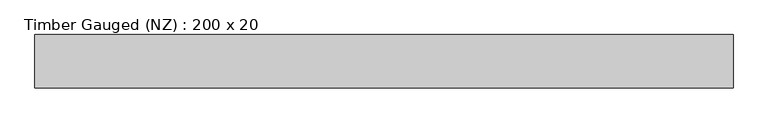
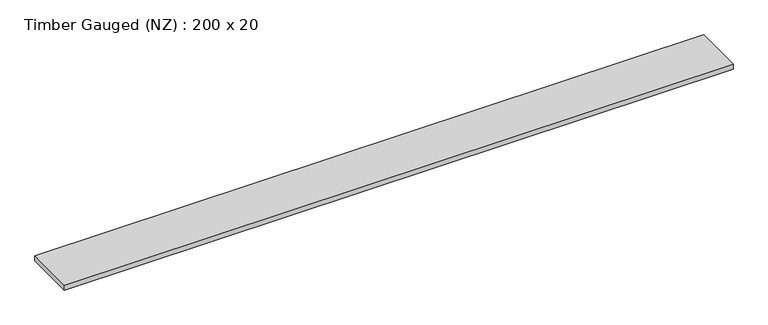
"""IFC4 building model written with IfcOpenShell, lengths in millimetres: beam geometry, Timber Gauged (NZ) : 200 x 20."""

from ifc_helpers import new_model, si_unit, frame, origin, place, context, project, spatial, polyline, outline, extrude, source, transform, mapped, element, save


def timber_gauged_nz_200_x_20_2958524c(model_context):
    return source(origin(), model_context, "Body", "SweptSolid", [
        extrude(outline(polyline([(1422.5, 108.5), (1422.5, -108.5), (-1422.5, -108.5), (-1422.5, 108.5), (1422.5, 108.5)])), frame((0.0, 0.0, -11.0), z_axis=(0.0, 0.0, 1.0), x_axis=(1.0, 0.0, 0.0)), (0.0, 0.0, 1.0), 22.0),
    ])


if __name__ == "__main__":
    model = new_model("IFC4")
    model_context = context("Model", 3, world=origin())
    ifc_project = project(units=[si_unit("LENGTHUNIT", "METRE", prefix="MILLI")], contexts=[model_context])
    site = spatial("IfcSite", under=ifc_project)
    building = spatial("IfcBuilding", under=site)
    placement = place(None, origin())
    timber_gauged_nz_200_x_20_shape = timber_gauged_nz_200_x_20_2958524c(model_context)
    element("IfcBeam", 1, ObjectType="Timber Gauged (NZ) : 200 x 20", at=placement, inside=building, context=model_context, shape_type="MappedRepresentation", body=[
        mapped(timber_gauged_nz_200_x_20_shape, transform((0.0, 0.0, 0.0), x_axis=(1.0, 0.0, 0.0), y_axis=(0.0, 1.0, 0.0), z_axis=(0.0, 0.0, 1.0))),
    ])
    save(model, "model.ifc")
